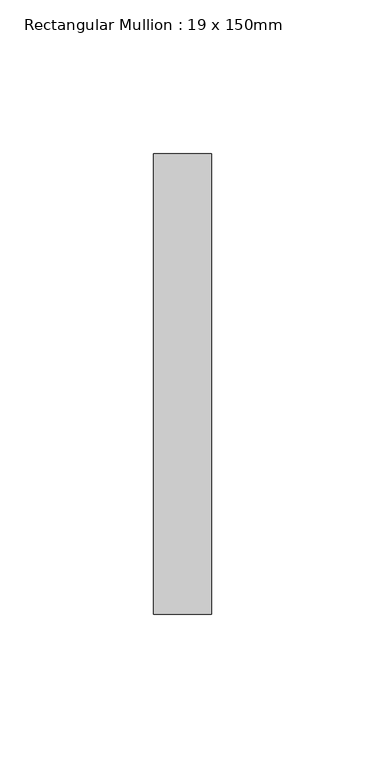
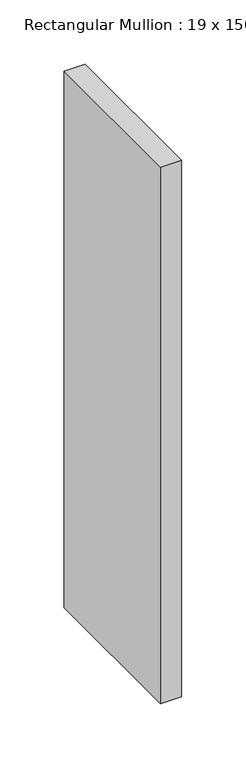
"""IFC4 building model written with IfcOpenShell, lengths in millimetres: member geometry, Rectangular Mullion : 19 x 150mm."""

from ifc_helpers import new_model, si_unit, frame, origin, place, context, project, spatial, polyline, outline, extrude, source, transform, mapped, element, save


def rectangular_mullion_19_x_150mm_a3cc6afe(model_context):
    return source(origin(), model_context, "Body", "SweptSolid", [
        extrude(outline(polyline([(0.0, -25.0), (0.0, -175.0), (-19.0, -175.0), (-19.0, -25.0), (0.0, -25.0)])), frame((0.0, 0.0, -509.4999999), z_axis=(0.0, 0.0, 1.0), x_axis=(1.0, 0.0, 0.0)), (0.0, 0.0, 1.0), 509.4999999),
    ])


if __name__ == "__main__":
    model = new_model("IFC4")
    model_context = context("Model", 3, world=origin())
    ifc_project = project(units=[si_unit("LENGTHUNIT", "METRE", prefix="MILLI")], contexts=[model_context])
    site = spatial("IfcSite", under=ifc_project)
    building = spatial("IfcBuilding", under=site)
    placement = place(None, origin())
    rectangular_mullion_19_x_150mm_shape = rectangular_mullion_19_x_150mm_a3cc6afe(model_context)
    element("IfcMember", 1, ObjectType="Rectangular Mullion : 19 x 150mm", at=placement, inside=building, context=model_context, shape_type="MappedRepresentation", body=[
        mapped(rectangular_mullion_19_x_150mm_shape, transform((0.0, 0.0, 0.0), x_axis=(1.0, 0.0, 0.0), y_axis=(0.0, 1.0, 0.0), z_axis=(0.0, 0.0, 1.0))),
    ])
    save(model, "model.ifc")
